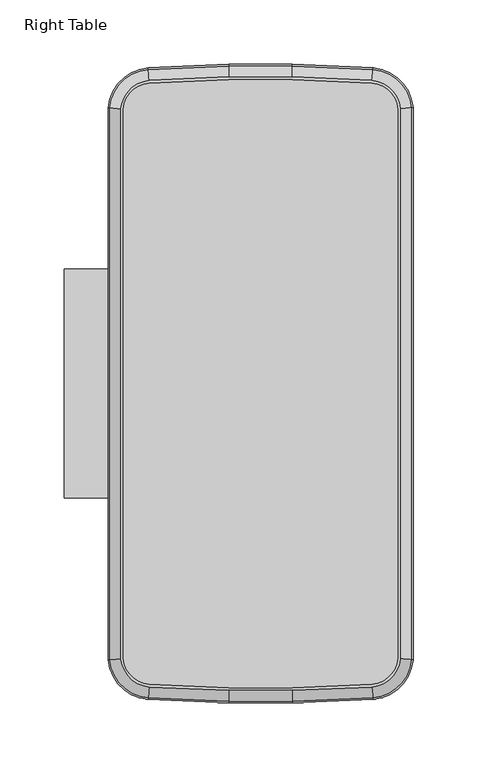
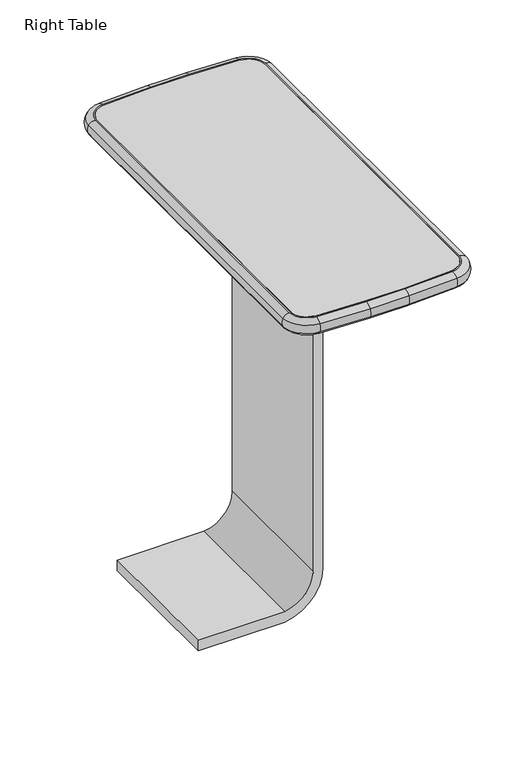
"""IFC4 building model written with IfcOpenShell, lengths in millimetres: furniture geometry, Right Table."""

from ifc_helpers import new_model, si_unit, point, frame, frame_2d, origin, place, context, project, spatial, polyline, circle_curve, ellipse_curve, trimmed, segment, composite_curve, outline, extrude, source, transform, mapped, element, save
from ifc_brep_helpers import plane_surface, cylinder_surface, revolved_surface, advanced_brep


def right_table_0782df6d(model_context):
    return source(origin(), model_context, "Body", "SolidModel", [
        extrude(outline(composite_curve([segment(polyline([(74.8623466, 876.1478532), (513.6429436, 876.1478532), (513.6429436, 863.9227545), (74.8623466, 863.9227545)]), True, "CONTINUOUS"), segment(trimmed(circle_curve(frame_2d((74.8623466, 822.3403129)), 41.5824416), [point((74.8623466, 863.9227545))], [point((33.6371996, 827.7796793))], True, "CARTESIAN"), True, "CONTINUOUS"), segment(polyline([(33.6371996, 827.7796793), (33.6371996, 717.7796793), (19.4900818, 717.7796793), (19.4900818, 827.7796793)]), True, "CONTINUOUS"), segment(trimmed(circle_curve(frame_2d((74.8623466, 820.2684648)), 55.8793884), [point((19.4900818, 827.7796793))], [point((74.8623466, 876.1478532))], False, "CARTESIAN"), True, "CONTINUOUS")], self_intersect=False)), frame((0.0, -714.9000545, 0.0), z_axis=(0.0, 1.0, 0.0), x_axis=(0.0, 0.0, 1.0)), (0.0, 0.0, 1.0), 177.737793),
        extrude(outline(composite_curve([segment(trimmed(circle_curve(frame_2d((845.2003434, -1108.1178896)), 717.7729189), [point((783.6498264, -392.9888824))], [point((845.2003434, -390.3449707))], False, "CARTESIAN"), True, "CONTINUOUS"), segment(polyline([(845.2003434, -390.3449707), (894.4898942, -390.3449707)]), True, "CONTINUOUS"), segment(trimmed(circle_curve(frame_2d((894.4898942, -1108.1178896)), 717.7729189), [point((894.4898942, -390.3449707))], [point((956.0404112, -392.9888824))], False, "CARTESIAN"), True, "CONTINUOUS"), segment(trimmed(circle_curve(frame_2d((954.1217948, -415.2804629)), 22.373995), [point((956.0404112, -392.9888824))], [point((976.3913227, -413.1208847))], False, "CARTESIAN"), True, "CONTINUOUS"), segment(trimmed(circle_curve(frame_2d((-1221.5479594, -626.2651367)), 2208.2498862), [point((976.3913227, -413.1208847))], [point((976.3913227, -839.4093887))], False, "CARTESIAN"), True, "CONTINUOUS"), segment(trimmed(circle_curve(frame_2d((954.1217948, -837.2498105)), 22.373995), [point((976.3913227, -839.4093887))], [point((956.0404112, -859.541391))], False, "CARTESIAN"), True, "CONTINUOUS"), segment(trimmed(circle_curve(frame_2d((894.4898942, -144.4123839)), 717.7729189), [point((956.0404112, -859.541391))], [point((894.4898942, -862.1853027))], False, "CARTESIAN"), True, "CONTINUOUS"), segment(polyline([(894.4898942, -862.1853027), (845.2003434, -862.1853027)]), True, "CONTINUOUS"), segment(trimmed(circle_curve(frame_2d((845.2003434, -144.4123839)), 717.7729189), [point((845.2003434, -862.1853027))], [point((783.6498264, -859.541391))], False, "CARTESIAN"), True, "CONTINUOUS"), segment(trimmed(circle_curve(frame_2d((785.5684429, -837.2498105)), 22.373995), [point((783.6498264, -859.541391))], [point((763.2989149, -839.4093887))], False, "CARTESIAN"), True, "CONTINUOUS"), segment(trimmed(circle_curve(frame_2d((2961.238197, -626.2651367)), 2208.2498862), [point((763.2989149, -839.4093887))], [point((763.2989149, -413.1208847))], False, "CARTESIAN"), True, "CONTINUOUS"), segment(trimmed(circle_curve(frame_2d((785.5684429, -415.2804629)), 22.373995), [point((763.2989149, -413.1208847))], [point((783.6498264, -392.9888824))], False, "CARTESIAN"), True, "CONTINUOUS")], self_intersect=False)), frame((0.0, 0.0, 513.7653809), z_axis=(0.0, 0.0, 1.0), x_axis=(1.0, 0.0, 0.0)), (0.0, 0.0, 1.0), 20.749939),
        advanced_brep(
        [(783.46507, -390.8422776, 534.5153198), (845.2003434, -388.1904297, 534.5153198), (845.2003434, -379.8300563, 530.317738), (782.7481506, -382.5126997, 530.317738), (845.2003434, -379.558977, 519.4613457), (782.724905, -382.2426188, 519.4613457), (845.2003434, -388.1904297, 513.7653809), (783.46507, -390.8422776, 513.7653809), (783.6498264, -392.9888824, 513.7653809), (845.2003434, -390.3449707, 513.7653809), (845.2003434, -390.3449707, 534.5153198), (783.6498264, -392.9888824, 534.5153198), (761.1544337, -412.9129245, 534.5153198), (752.8330961, -412.1059662, 530.317738), (752.5632824, -412.0798012, 519.4613457), (761.1544337, -412.9129245, 513.7653809), (763.2989149, -413.1208847, 513.7653809), (763.2989149, -413.1208847, 534.5153198), (761.1544337, -839.6173489, 534.5153198), (752.8330961, -840.4243072, 530.317738), (752.5632824, -840.4504723, 519.4613457), (761.1544337, -839.6173489, 513.7653809), (763.2989149, -839.4093887, 513.7653809), (763.2989149, -839.4093887, 534.5153198), (783.46507, -861.6879958, 534.5153198), (782.7481506, -870.0175738, 530.317738), (782.724905, -870.2876546, 519.4613457), (783.46507, -861.6879958, 513.7653809), (783.6498264, -859.541391, 513.7653809), (783.6498264, -859.541391, 534.5153198), (845.2003434, -864.3398438, 534.5153198), (845.2003434, -872.7002171, 530.317738), (845.2003434, -872.9712964, 519.4613457), (845.2003434, -864.3398438, 513.7653809), (845.2003434, -862.1853027, 513.7653809), (845.2003434, -862.1853027, 534.5153198), (894.4898942, -872.7002171, 530.317738), (894.4898942, -864.3398438, 534.5153198), (894.4898942, -872.9712964, 519.4613457), (894.4898942, -864.3398438, 513.7653809), (894.4898942, -862.1853027, 534.5153198), (894.4898942, -862.1853027, 513.7653809), (956.2251676, -861.6879958, 534.5153198), (956.942087, -870.0175738, 530.317738), (956.9653326, -870.2876546, 519.4613457), (956.2251676, -861.6879958, 513.7653809), (956.0404112, -859.541391, 513.7653809), (956.0404112, -859.541391, 534.5153198), (978.5358039, -839.6173489, 534.5153198), (986.8571416, -840.4243072, 530.317738), (987.1269552, -840.4504723, 519.4613457), (978.5358039, -839.6173489, 513.7653809), (976.3913227, -839.4093887, 513.7653809), (976.3913227, -839.4093887, 534.5153198), (978.5358039, -412.9129245, 534.5153198), (986.8571416, -412.1059662, 530.317738), (987.1269552, -412.0798012, 519.4613457), (978.5358039, -412.9129245, 513.7653809), (976.3913227, -413.1208847, 513.7653809), (976.3913227, -413.1208847, 534.5153198), (956.2251676, -390.8422776, 534.5153198), (956.942087, -382.5126997, 530.317738), (956.9653326, -382.2426188, 519.4613457), (956.2251676, -390.8422776, 513.7653809), (956.0404112, -392.9888824, 513.7653809), (956.0404112, -392.9888824, 534.5153198), (894.4898942, -388.1904297, 534.5153198), (894.4898942, -379.8300563, 530.317738), (894.4898942, -379.558977, 519.4613457), (894.4898942, -388.1904297, 513.7653809), (894.4898942, -390.3449707, 513.7653809), (894.4898942, -390.3449707, 534.5153198)],
        [
            (0, 1, circle_curve(frame((845.2003434, -1108.1178896, 534.5153198), z_axis=(0.0, 0.0, -1.0), x_axis=(0.0, 1.0, 0.0)), 719.9274599)),
            (1, 2, circle_curve(frame((845.2003434, -388.1904297, 524.0908018), z_axis=(-1.0, 0.0, 0.0), x_axis=(0.0, -1.0, 0.0)), 10.4245181)),
            (2, 3, circle_curve(frame((845.2003434, -1108.1178896, 530.317738), z_axis=(0.0, 0.0, 1.0), x_axis=(0.0, 1.0, 0.0)), 728.2878332)),
            (3, 0, circle_curve(frame((783.46507, -390.8422776, 524.0908018), z_axis=(0.9963165067702815, 0.08575207482658147, 0.0), x_axis=(0.08575207482658147, -0.9963165067702815, 0.0)), 10.4245181)),
            (2, 4, circle_curve(frame((845.2003434, -391.557249, 524.5933346), z_axis=(-1.0, 0.0, 0.0), x_axis=(0.0, -1.0, 0.0)), 13.0497449)),
            (4, 5, circle_curve(frame((845.2003434, -1108.1178896, 519.4613457), z_axis=(0.0, 0.0, 1.0), x_axis=(0.0, 1.0, 0.0)), 728.5589126)),
            (5, 3, circle_curve(frame((783.7537818, -394.1966953, 524.5933346), z_axis=(0.9963165067702815, 0.08575207482658151, 0.0), x_axis=(0.08575207482658151, -0.9963165067702815, 0.0)), 13.0497449)),
            (4, 6, circle_curve(frame((845.2003434, -388.1904297, 523.153254), z_axis=(-1.0, 0.0, 0.0), x_axis=(0.0, -1.0, 0.0)), 9.3878731)),
            (6, 7, circle_curve(frame((845.2003434, -1108.1178896, 513.7653809), z_axis=(0.0, 0.0, 1.0), x_axis=(0.0, 1.0, 0.0)), 719.9274599)),
            (7, 5, circle_curve(frame((783.46507, -390.8422776, 523.153254), z_axis=(0.9963165067702817, 0.08575207482657952, 0.0), x_axis=(0.08575207482657952, -0.9963165067702817, 0.0)), 9.3878731)),
            (8, 9, circle_curve(frame((845.2003434, -1108.1178896, 513.7653809), z_axis=(0.0, 0.0, -1.0), x_axis=(0.0, 1.0, 0.0)), 717.7729189)),
            (9, 10),
            (10, 11, circle_curve(frame((845.2003434, -1108.1178896, 534.5153198), z_axis=(0.0, 0.0, 1.0), x_axis=(0.0, 1.0, 0.0)), 717.7729189)),
            (11, 8),
            (12, 0, circle_curve(frame((785.5684429, -415.2804629, 534.5153198), z_axis=(0.0, 0.0, -1.0), x_axis=(-0.08575207482674928, 0.9963165067702671, 0.0)), 24.528536)),
            (3, 13, circle_curve(frame((785.5684429, -415.2804629, 530.317738), z_axis=(0.0, 0.0, 1.0), x_axis=(-0.08575207482674928, 0.9963165067702671, 0.0)), 32.8889094)),
            (13, 12, circle_curve(frame((761.1544337, -412.9129245, 524.0908018), z_axis=(0.09652179916881932, 0.995330870758671, 0.0), x_axis=(0.995330870758671, -0.09652179916881932, 0.0)), 10.4245181)),
            (5, 14, circle_curve(frame((785.5684429, -415.2804629, 519.4613457), z_axis=(0.0, 0.0, 1.0), x_axis=(-0.08575207482674928, 0.9963165067702671, 0.0)), 33.1599887)),
            (14, 13, circle_curve(frame((764.505533, -413.237896, 524.5933346), z_axis=(0.09652179916881955, 0.995330870758671, 0.0), x_axis=(0.995330870758671, -0.09652179916881955, 0.0)), 13.0497449)),
            (7, 15, circle_curve(frame((785.5684429, -415.2804629, 513.7653809), z_axis=(0.0, 0.0, 1.0), x_axis=(-0.08575207482674928, 0.9963165067702671, 0.0)), 24.528536)),
            (15, 14, circle_curve(frame((761.1544337, -412.9129245, 523.153254), z_axis=(0.09652179916882507, 0.9953308707586704, 0.0), x_axis=(0.9953308707586704, -0.09652179916882507, 0.0)), 9.3878731)),
            (16, 8, circle_curve(frame((785.5684429, -415.2804629, 513.7653809), z_axis=(0.0, 0.0, -1.0), x_axis=(-0.08575207482674928, 0.9963165067702671, 0.0)), 22.373995)),
            (11, 17, circle_curve(frame((785.5684429, -415.2804629, 534.5153198), z_axis=(0.0, 0.0, 1.0), x_axis=(-0.08575207482674928, 0.9963165067702671, 0.0)), 22.373995)),
            (17, 16),
            (18, 12, circle_curve(frame((2961.238197, -626.2651367, 534.5153198), z_axis=(0.0, 0.0, -1.0), x_axis=(-0.9953308707586721, 0.09652179916880771, 0.0)), 2210.4044272)),
            (13, 19, circle_curve(frame((2961.238197, -626.2651367, 530.317738), z_axis=(0.0, 0.0, 1.0), x_axis=(-0.9953308707586721, 0.09652179916880771, 0.0)), 2218.7648005)),
            (19, 18, circle_curve(frame((761.1544337, -839.6173489, 524.0908018), z_axis=(-0.09652179916882847, 0.99533087075867, 0.0), x_axis=(0.99533087075867, 0.09652179916882847, 0.0)), 10.4245181)),
            (14, 20, circle_curve(frame((2961.238197, -626.2651367, 519.4613457), z_axis=(0.0, 0.0, 1.0), x_axis=(-0.9953308707586721, 0.09652179916880771, 0.0)), 2219.0358799)),
            (20, 19, circle_curve(frame((764.505533, -839.2923775, 524.5933346), z_axis=(-0.09652179916882853, 0.99533087075867, 0.0), x_axis=(0.99533087075867, 0.09652179916882853, 0.0)), 13.0497449)),
            (15, 21, circle_curve(frame((2961.238197, -626.2651367, 513.7653809), z_axis=(0.0, 0.0, 1.0), x_axis=(-0.9953308707586721, 0.09652179916880771, 0.0)), 2210.4044272)),
            (21, 20, circle_curve(frame((761.1544337, -839.6173489, 523.153254), z_axis=(-0.09652179916882626, 0.9953308707586702, 0.0), x_axis=(0.9953308707586702, 0.09652179916882626, 0.0)), 9.3878731)),
            (22, 16, circle_curve(frame((2961.238197, -626.2651367, 513.7653809), z_axis=(0.0, 0.0, -1.0), x_axis=(-0.9953308707586721, 0.09652179916880771, 0.0)), 2208.2498862)),
            (17, 23, circle_curve(frame((2961.238197, -626.2651367, 534.5153198), z_axis=(0.0, 0.0, 1.0), x_axis=(-0.9953308707586721, 0.09652179916880771, 0.0)), 2208.2498862)),
            (23, 22),
            (24, 18, circle_curve(frame((785.5684429, -837.2498105, 534.5153198), z_axis=(0.0, 0.0, -1.0), x_axis=(-0.995330870758616, -0.09652179916938605, 0.0)), 24.528536)),
            (19, 25, circle_curve(frame((785.5684429, -837.2498105, 530.317738), z_axis=(0.0, 0.0, 1.0), x_axis=(-0.995330870758616, -0.09652179916938605, 0.0)), 32.8889094)),
            (25, 24, circle_curve(frame((783.46507, -861.6879958, 524.0908018), z_axis=(-0.9963165067702713, 0.08575207482670079, 0.0), x_axis=(0.08575207482670079, 0.9963165067702713, 0.0)), 10.4245181)),
            (20, 26, circle_curve(frame((785.5684429, -837.2498105, 519.4613457), z_axis=(0.0, 0.0, 1.0), x_axis=(-0.995330870758616, -0.09652179916938605, 0.0)), 33.1599887)),
            (26, 25, circle_curve(frame((783.7537818, -858.3335782, 524.5933346), z_axis=(-0.9963165067702714, 0.08575207482670011, 0.0), x_axis=(0.08575207482670011, 0.9963165067702714, 0.0)), 13.0497449)),
            (21, 27, circle_curve(frame((785.5684429, -837.2498105, 513.7653809), z_axis=(0.0, 0.0, 1.0), x_axis=(-0.995330870758616, -0.09652179916938605, 0.0)), 24.528536)),
            (27, 26, circle_curve(frame((783.46507, -861.6879958, 523.153254), z_axis=(-0.9963165067702676, 0.08575207482674345, 0.0), x_axis=(0.08575207482674345, 0.9963165067702676, 0.0)), 9.3878731)),
            (28, 22, circle_curve(frame((785.5684429, -837.2498105, 513.7653809), z_axis=(0.0, 0.0, -1.0), x_axis=(-0.995330870758616, -0.09652179916938605, 0.0)), 22.373995)),
            (23, 29, circle_curve(frame((785.5684429, -837.2498105, 534.5153198), z_axis=(0.0, 0.0, 1.0), x_axis=(-0.995330870758616, -0.09652179916938605, 0.0)), 22.373995)),
            (29, 28),
            (30, 24, circle_curve(frame((845.2003434, -144.4123839, 534.5153198), z_axis=(0.0, 0.0, -1.0), x_axis=(-0.08575207482656692, -0.9963165067702827, 0.0)), 719.9274599)),
            (25, 31, circle_curve(frame((845.2003434, -144.4123839, 530.317738), z_axis=(0.0, 0.0, 1.0), x_axis=(-0.08575207482656692, -0.9963165067702827, 0.0)), 728.2878332)),
            (31, 30, circle_curve(frame((845.2003434, -864.3398438, 524.0908018), z_axis=(-1.0, 0.0, 0.0), x_axis=(0.0, 1.0, 0.0)), 10.4245181)),
            (26, 32, circle_curve(frame((845.2003434, -144.4123839, 519.4613457), z_axis=(0.0, 0.0, 1.0), x_axis=(-0.08575207482656692, -0.9963165067702827, 0.0)), 728.5589126)),
            (32, 31, circle_curve(frame((845.2003434, -860.9730244, 524.5933346), z_axis=(-1.0, 0.0, 0.0), x_axis=(0.0, 1.0, 0.0)), 13.0497449)),
            (27, 33, circle_curve(frame((845.2003434, -144.4123839, 513.7653809), z_axis=(0.0, 0.0, 1.0), x_axis=(-0.08575207482656692, -0.9963165067702827, 0.0)), 719.9274599)),
            (33, 32, circle_curve(frame((845.2003434, -864.3398438, 523.153254), z_axis=(-1.0, 0.0, 0.0), x_axis=(0.0, 1.0, 0.0)), 9.3878731)),
            (34, 28, circle_curve(frame((845.2003434, -144.4123839, 513.7653809), z_axis=(0.0, 0.0, -1.0), x_axis=(-0.08575207482656692, -0.9963165067702827, 0.0)), 717.7729189)),
            (29, 35, circle_curve(frame((845.2003434, -144.4123839, 534.5153198), z_axis=(0.0, 0.0, 1.0), x_axis=(-0.08575207482656692, -0.9963165067702827, 0.0)), 717.7729189)),
            (35, 34),
            (31, 36),
            (36, 37, circle_curve(frame((894.4898942, -864.3398438, 524.0908018), z_axis=(-1.0, 0.0, 0.0), x_axis=(0.0, 1.0, 0.0)), 10.4245181)),
            (37, 30),
            (32, 38),
            (38, 36, circle_curve(frame((894.4898942, -860.9730244, 524.5933346), z_axis=(-1.0, 0.0, 0.0), x_axis=(0.0, 1.0, 0.0)), 13.0497449)),
            (33, 39),
            (39, 38, circle_curve(frame((894.4898942, -864.3398438, 523.153254), z_axis=(-1.0, 0.0, 0.0), x_axis=(0.0, 1.0, 0.0)), 9.3878731)),
            (35, 40),
            (40, 41),
            (41, 34),
            (42, 37, circle_curve(frame((894.4898942, -144.4123839, 534.5153198), z_axis=(0.0, 0.0, -1.0), x_axis=(0.0, -1.0, 0.0)), 719.9274599)),
            (36, 43, circle_curve(frame((894.4898942, -144.4123839, 530.317738), z_axis=(0.0, 0.0, 1.0), x_axis=(0.0, -1.0, 0.0)), 728.2878332)),
            (43, 42, circle_curve(frame((956.2251676, -861.6879958, 524.0908018), z_axis=(-0.9963165067702804, -0.0857520748265943, 0.0), x_axis=(-0.0857520748265943, 0.9963165067702804, 0.0)), 10.4245181)),
            (38, 44, circle_curve(frame((894.4898942, -144.4123839, 519.4613457), z_axis=(0.0, 0.0, 1.0), x_axis=(0.0, -1.0, 0.0)), 728.5589126)),
            (44, 43, circle_curve(frame((955.9364559, -858.3335782, 524.5933346), z_axis=(-0.9963165067702804, -0.08575207482659437, 0.0), x_axis=(-0.08575207482659437, 0.9963165067702804, 0.0)), 13.0497449)),
            (39, 45, circle_curve(frame((894.4898942, -144.4123839, 513.7653809), z_axis=(0.0, 0.0, 1.0), x_axis=(0.0, -1.0, 0.0)), 719.9274599)),
            (45, 44, circle_curve(frame((956.2251676, -861.6879958, 523.153254), z_axis=(-0.9963165067702806, -0.08575207482659233, 0.0), x_axis=(-0.08575207482659233, 0.9963165067702806, 0.0)), 9.3878731)),
            (46, 41, circle_curve(frame((894.4898942, -144.4123839, 513.7653809), z_axis=(0.0, 0.0, -1.0), x_axis=(0.0, -1.0, 0.0)), 717.7729189)),
            (40, 47, circle_curve(frame((894.4898942, -144.4123839, 534.5153198), z_axis=(0.0, 0.0, 1.0), x_axis=(0.0, -1.0, 0.0)), 717.7729189)),
            (47, 46),
            (48, 42, circle_curve(frame((954.1217948, -837.2498105, 534.5153198), z_axis=(0.0, 0.0, -1.0), x_axis=(0.08575207482676551, -0.9963165067702656, 0.0)), 24.528536)),
            (43, 49, circle_curve(frame((954.1217948, -837.2498105, 530.317738), z_axis=(0.0, 0.0, 1.0), x_axis=(0.08575207482676551, -0.9963165067702656, 0.0)), 32.8889094)),
            (49, 48, circle_curve(frame((978.5358039, -839.6173489, 524.0908018), z_axis=(-0.09652179916879998, -0.9953308707586728, 0.0), x_axis=(-0.9953308707586728, 0.09652179916879998, 0.0)), 10.4245181)),
            (44, 50, circle_curve(frame((954.1217948, -837.2498105, 519.4613457), z_axis=(0.0, 0.0, 1.0), x_axis=(0.08575207482676551, -0.9963165067702656, 0.0)), 33.1599887)),
            (50, 49, circle_curve(frame((975.1847047, -839.2923775, 524.5933346), z_axis=(-0.096521799168796, -0.9953308707586732, 0.0), x_axis=(-0.9953308707586732, 0.096521799168796, 0.0)), 13.0497449)),
            (45, 51, circle_curve(frame((954.1217948, -837.2498105, 513.7653809), z_axis=(0.0, 0.0, 1.0), x_axis=(0.08575207482676551, -0.9963165067702656, 0.0)), 24.528536)),
            (51, 50, circle_curve(frame((978.5358039, -839.6173489, 523.153254), z_axis=(-0.09652179916879114, -0.9953308707586737, 0.0), x_axis=(-0.9953308707586737, 0.09652179916879114, 0.0)), 9.3878731)),
            (52, 46, circle_curve(frame((954.1217948, -837.2498105, 513.7653809), z_axis=(0.0, 0.0, -1.0), x_axis=(0.08575207482676551, -0.9963165067702656, 0.0)), 22.373995)),
            (47, 53, circle_curve(frame((954.1217948, -837.2498105, 534.5153198), z_axis=(0.0, 0.0, 1.0), x_axis=(0.08575207482676551, -0.9963165067702656, 0.0)), 22.373995)),
            (53, 52),
            (54, 48, circle_curve(frame((-1221.5479594, -626.2651367, 534.5153198), z_axis=(0.0, 0.0, -1.0), x_axis=(0.9953308707586734, -0.09652179916879323, 0.0)), 2210.4044272)),
            (49, 55, circle_curve(frame((-1221.5479594, -626.2651367, 530.317738), z_axis=(0.0, 0.0, 1.0), x_axis=(0.9953308707586734, -0.09652179916879323, 0.0)), 2218.7648005)),
            (55, 54, circle_curve(frame((978.5358039, -412.9129245, 524.0908018), z_axis=(0.09652179916879837, -0.995330870758673, 0.0), x_axis=(-0.995330870758673, -0.09652179916879837, 0.0)), 10.4245181)),
            (50, 56, circle_curve(frame((-1221.5479594, -626.2651367, 519.4613457), z_axis=(0.0, 0.0, 1.0), x_axis=(0.9953308707586734, -0.09652179916879323, 0.0)), 2219.0358799)),
            (56, 55, circle_curve(frame((975.1847047, -413.237896, 524.5933346), z_axis=(0.09652179916879837, -0.995330870758673, 0.0), x_axis=(-0.995330870758673, -0.09652179916879837, 0.0)), 13.0497449)),
            (51, 57, circle_curve(frame((-1221.5479594, -626.2651367, 513.7653809), z_axis=(0.0, 0.0, 1.0), x_axis=(0.9953308707586734, -0.09652179916879323, 0.0)), 2210.4044272)),
            (57, 56, circle_curve(frame((978.5358039, -412.9129245, 523.153254), z_axis=(0.09652179916880055, -0.9953308707586728, 0.0), x_axis=(-0.9953308707586728, -0.09652179916880055, 0.0)), 9.3878731)),
            (58, 52, circle_curve(frame((-1221.5479594, -626.2651367, 513.7653809), z_axis=(0.0, 0.0, -1.0), x_axis=(0.9953308707586734, -0.09652179916879323, 0.0)), 2208.2498862)),
            (53, 59, circle_curve(frame((-1221.5479594, -626.2651367, 534.5153198), z_axis=(0.0, 0.0, 1.0), x_axis=(0.9953308707586734, -0.09652179916879323, 0.0)), 2208.2498862)),
            (59, 58),
            (60, 54, circle_curve(frame((954.1217948, -415.2804629, 534.5153198), z_axis=(0.0, 0.0, -1.0), x_axis=(0.9953308707587284, 0.09652179916822677, 0.0)), 24.528536)),
            (55, 61, circle_curve(frame((954.1217948, -415.2804629, 530.317738), z_axis=(0.0, 0.0, 1.0), x_axis=(0.9953308707587284, 0.09652179916822677, 0.0)), 32.8889094)),
            (61, 60, circle_curve(frame((956.2251676, -390.8422776, 524.0908018), z_axis=(0.9963165067702684, -0.08575207482673312, 0.0), x_axis=(-0.08575207482673312, -0.9963165067702684, 0.0)), 10.4245181)),
            (56, 62, circle_curve(frame((954.1217948, -415.2804629, 519.4613457), z_axis=(0.0, 0.0, 1.0), x_axis=(0.9953308707587284, 0.09652179916822677, 0.0)), 33.1599887)),
            (62, 61, circle_curve(frame((955.9364559, -394.1966953, 524.5933346), z_axis=(0.9963165067702685, -0.08575207482673201, 0.0), x_axis=(-0.08575207482673201, -0.9963165067702685, 0.0)), 13.0497449)),
            (57, 63, circle_curve(frame((954.1217948, -415.2804629, 513.7653809), z_axis=(0.0, 0.0, 1.0), x_axis=(0.9953308707587284, 0.09652179916822677, 0.0)), 24.528536)),
            (63, 62, circle_curve(frame((956.2251676, -390.8422776, 523.153254), z_axis=(0.9963165067702641, -0.08575207482678356, 0.0), x_axis=(-0.08575207482678356, -0.9963165067702641, 0.0)), 9.3878731)),
            (64, 58, circle_curve(frame((954.1217948, -415.2804629, 513.7653809), z_axis=(0.0, 0.0, -1.0), x_axis=(0.9953308707587284, 0.09652179916822677, 0.0)), 22.373995)),
            (59, 65, circle_curve(frame((954.1217948, -415.2804629, 534.5153198), z_axis=(0.0, 0.0, 1.0), x_axis=(0.9953308707587284, 0.09652179916822677, 0.0)), 22.373995)),
            (65, 64),
            (66, 60, circle_curve(frame((894.4898942, -1108.1178896, 534.5153198), z_axis=(0.0, 0.0, -1.0), x_axis=(0.08575207482658051, 0.9963165067702816, 0.0)), 719.9274599)),
            (61, 67, circle_curve(frame((894.4898942, -1108.1178896, 530.317738), z_axis=(0.0, 0.0, 1.0), x_axis=(0.08575207482658051, 0.9963165067702816, 0.0)), 728.2878332)),
            (67, 66, circle_curve(frame((894.4898942, -388.1904297, 524.0908018), z_axis=(1.0, 0.0, 0.0), x_axis=(0.0, -1.0, 0.0)), 10.4245181)),
            (62, 68, circle_curve(frame((894.4898942, -1108.1178896, 519.4613457), z_axis=(0.0, 0.0, 1.0), x_axis=(0.08575207482658051, 0.9963165067702816, 0.0)), 728.5589126)),
            (68, 67, circle_curve(frame((894.4898942, -391.557249, 524.5933346), z_axis=(1.0, 0.0, 0.0), x_axis=(0.0, -1.0, 0.0)), 13.0497449)),
            (63, 69, circle_curve(frame((894.4898942, -1108.1178896, 513.7653809), z_axis=(0.0, 0.0, 1.0), x_axis=(0.08575207482658051, 0.9963165067702816, 0.0)), 719.9274599)),
            (69, 68, circle_curve(frame((894.4898942, -388.1904297, 523.153254), z_axis=(1.0, 0.0, 0.0), x_axis=(0.0, -1.0, 0.0)), 9.3878731)),
            (70, 64, circle_curve(frame((894.4898942, -1108.1178896, 513.7653809), z_axis=(0.0, 0.0, -1.0), x_axis=(0.08575207482658051, 0.9963165067702816, 0.0)), 717.7729189)),
            (65, 71, circle_curve(frame((894.4898942, -1108.1178896, 534.5153198), z_axis=(0.0, 0.0, 1.0), x_axis=(0.08575207482658051, 0.9963165067702816, 0.0)), 717.7729189)),
            (71, 70),
            (67, 2),
            (1, 66),
            (68, 4),
            (69, 6),
            (70, 9),
            (71, 10),
        ],
        [
            revolved_surface(trimmed(ellipse_curve(frame((845.2003434, -388.1904297, 524.0908018), z_axis=(1.0, 0.0, 0.0), x_axis=(0.0, -1.0, 0.0)), 10.4245181, 10.4245181), [point((845.2003434, -379.8300563, 530.317738))], [point((845.2003434, -388.1904297, 534.5153198))], True, "CARTESIAN"), (845.2003434, -1108.1178896, 0.0), (0.0, 0.0, 1.0)),
            revolved_surface(trimmed(ellipse_curve(frame((845.2003434, -391.557249, 524.5933346), z_axis=(1.0, 0.0, 0.0), x_axis=(0.0, -1.0, 0.0)), 13.0497449, 13.0497449), [point((845.2003434, -379.558977, 519.4613457))], [point((845.2003434, -379.8300563, 530.317738))], True, "CARTESIAN"), (845.2003434, -1108.1178896, 0.0), (0.0, 0.0, 1.0)),
            revolved_surface(trimmed(ellipse_curve(frame((845.2003434, -388.1904297, 523.153254), z_axis=(1.0, 0.0, 0.0), x_axis=(0.0, -1.0, 0.0)), 9.3878731, 9.3878731), [point((845.2003434, -388.1904297, 513.7653809))], [point((845.2003434, -379.558977, 519.4613457))], True, "CARTESIAN"), (845.2003434, -1108.1178896, 0.0), (0.0, 0.0, 1.0)),
            revolved_surface(polyline([(845.2003434, -390.34497069999986, 534.5153198), (845.2003434, -390.34497069999986, 513.7653809)]), (845.2003434, -1108.1178896, 0.0), (0.0, 0.0, 1.0)),
            revolved_surface(trimmed(ellipse_curve(frame((783.46507, -390.8422776, 524.0908018), z_axis=(0.9963165067702671, 0.08575207482674929, 0.0), x_axis=(0.08575207482674929, -0.9963165067702671, 0.0)), 10.4245181, 10.4245181), [point((782.7481506, -382.5126997, 530.317738))], [point((783.46507, -390.8422776, 534.5153198))], True, "CARTESIAN"), (785.5684429, -415.2804629, 0.0), (0.0, 0.0, 1.0)),
            revolved_surface(trimmed(ellipse_curve(frame((783.7537818, -394.1966953, 524.5933346), z_axis=(0.9963165067702671, 0.08575207482674929, 0.0), x_axis=(0.08575207482674929, -0.9963165067702671, 0.0)), 13.0497449, 13.0497449), [point((782.724905, -382.2426188, 519.4613457))], [point((782.7481506, -382.5126997, 530.317738))], True, "CARTESIAN"), (785.5684429, -415.2804629, 0.0), (0.0, 0.0, 1.0)),
            revolved_surface(trimmed(ellipse_curve(frame((783.46507, -390.8422776, 523.153254), z_axis=(0.9963165067702671, 0.08575207482674929, 0.0), x_axis=(0.08575207482674929, -0.9963165067702671, 0.0)), 9.3878731, 9.3878731), [point((783.46507, -390.8422776, 513.7653809))], [point((782.724905, -382.2426188, 519.4613457))], True, "CARTESIAN"), (785.5684429, -415.2804629, 0.0), (0.0, 0.0, 1.0)),
            revolved_surface(polyline([(783.6498264065867, -392.98888235910454, 534.5153198), (783.6498264065867, -392.98888235910454, 513.7653809)]), (785.5684429, -415.2804629, 0.0), (0.0, 0.0, 1.0)),
            revolved_surface(trimmed(ellipse_curve(frame((761.1544337, -412.9129245, 524.0908018), z_axis=(0.0965217991688077, 0.9953308707586721, 0.0), x_axis=(0.9953308707586721, -0.0965217991688077, 0.0)), 10.4245181, 10.4245181), [point((752.8330961, -412.1059662, 530.317738))], [point((761.1544337, -412.9129245, 534.5153198))], True, "CARTESIAN"), (2961.238197, -626.2651367, 0.0), (0.0, 0.0, 1.0)),
            revolved_surface(trimmed(ellipse_curve(frame((764.505533, -413.237896, 524.5933346), z_axis=(0.0965217991688077, 0.9953308707586721, 0.0), x_axis=(0.9953308707586721, -0.0965217991688077, 0.0)), 13.0497449, 13.0497449), [point((752.5632824, -412.0798012, 519.4613457))], [point((752.8330961, -412.1059662, 530.317738))], True, "CARTESIAN"), (2961.238197, -626.2651367, 0.0), (0.0, 0.0, 1.0)),
            revolved_surface(trimmed(ellipse_curve(frame((761.1544337, -412.9129245, 523.153254), z_axis=(0.0965217991688077, 0.9953308707586721, 0.0), x_axis=(0.9953308707586721, -0.0965217991688077, 0.0)), 9.3878731, 9.3878731), [point((761.1544337, -412.9129245, 513.7653809))], [point((752.5632824, -412.0798012, 519.4613457))], True, "CARTESIAN"), (2961.238197, -626.2651367, 0.0), (0.0, 0.0, 1.0)),
            revolved_surface(polyline([(763.2989149158152, -413.1208846696611, 534.5153198), (763.2989149158152, -413.1208846696611, 513.7653809)]), (2961.238197, -626.2651367, 0.0), (0.0, 0.0, 1.0)),
            revolved_surface(trimmed(ellipse_curve(frame((761.1544337, -839.6173489, 524.0908018), z_axis=(-0.09652179916938604, 0.995330870758616, 0.0), x_axis=(0.995330870758616, 0.09652179916938604, 0.0)), 10.4245181, 10.4245181), [point((752.8330961, -840.4243072, 530.317738))], [point((761.1544337, -839.6173489, 534.5153198))], True, "CARTESIAN"), (785.5684429, -837.2498105, 0.0), (0.0, 0.0, 1.0)),
            revolved_surface(trimmed(ellipse_curve(frame((764.505533, -839.2923775, 524.5933346), z_axis=(-0.09652179916938604, 0.995330870758616, 0.0), x_axis=(0.995330870758616, 0.09652179916938604, 0.0)), 13.0497449, 13.0497449), [point((752.5632824, -840.4504723, 519.4613457))], [point((752.8330961, -840.4243072, 530.317738))], True, "CARTESIAN"), (785.5684429, -837.2498105, 0.0), (0.0, 0.0, 1.0)),
            revolved_surface(trimmed(ellipse_curve(frame((761.1544337, -839.6173489, 523.153254), z_axis=(-0.09652179916938604, 0.995330870758616, 0.0), x_axis=(0.995330870758616, 0.09652179916938604, 0.0)), 9.3878731, 9.3878731), [point((761.1544337, -839.6173489, 513.7653809))], [point((752.5632824, -840.4504723, 519.4613457))], True, "CARTESIAN"), (785.5684429, -837.2498105, 0.0), (0.0, 0.0, 1.0)),
            revolved_surface(polyline([(763.2989149743012, -839.4093887520069, 534.5153198), (763.2989149743012, -839.4093887520069, 513.7653809)]), (785.5684429, -837.2498105, 0.0), (0.0, 0.0, 1.0)),
            revolved_surface(trimmed(ellipse_curve(frame((783.46507, -861.6879958, 524.0908018), z_axis=(-0.9963165067702827, 0.08575207482656692, 0.0), x_axis=(0.08575207482656692, 0.9963165067702827, 0.0)), 10.4245181, 10.4245181), [point((782.7481506, -870.0175738, 530.317738))], [point((783.46507, -861.6879958, 534.5153198))], True, "CARTESIAN"), (845.2003434, -144.4123839, 0.0), (0.0, 0.0, 1.0)),
            revolved_surface(trimmed(ellipse_curve(frame((783.7537818, -858.3335782, 524.5933346), z_axis=(-0.9963165067702827, 0.08575207482656692, 0.0), x_axis=(0.08575207482656692, 0.9963165067702827, 0.0)), 13.0497449, 13.0497449), [point((782.724905, -870.2876546, 519.4613457))], [point((782.7481506, -870.0175738, 530.317738))], True, "CARTESIAN"), (845.2003434, -144.4123839, 0.0), (0.0, 0.0, 1.0)),
            revolved_surface(trimmed(ellipse_curve(frame((783.46507, -861.6879958, 523.153254), z_axis=(-0.9963165067702827, 0.08575207482656692, 0.0), x_axis=(0.08575207482656692, 0.9963165067702827, 0.0)), 9.3878731, 9.3878731), [point((783.46507, -861.6879958, 513.7653809))], [point((782.724905, -870.2876546, 519.4613457))], True, "CARTESIAN"), (845.2003434, -144.4123839, 0.0), (0.0, 0.0, 1.0)),
            revolved_surface(polyline([(783.6498263500038, -859.5413911127575, 534.5153198), (783.6498263500038, -859.5413911127575, 513.7653809)]), (845.2003434, -144.4123839, 0.0), (0.0, 0.0, 1.0)),
            cylinder_surface(frame((845.2003434, -864.3398438, 524.0908018), z_axis=(-1.0, 0.0, 0.0), x_axis=(0.0, 1.0, 0.0)), 10.4245181),
            cylinder_surface(frame((845.2003434, -860.9730244, 524.5933346), z_axis=(-1.0, 0.0, 0.0), x_axis=(0.0, 1.0, 0.0)), 13.0497449),
            cylinder_surface(frame((845.2003434, -864.3398438, 523.153254), z_axis=(-1.0, 0.0, 0.0), x_axis=(0.0, 1.0, 0.0)), 9.3878731),
            plane_surface(frame((845.2003434, -862.1853027, 534.5153198), z_axis=(0.0, 1.0, 0.0), x_axis=(1.0, 0.0, 0.0))),
            revolved_surface(trimmed(ellipse_curve(frame((894.4898942, -864.3398438, 524.0908018), z_axis=(-1.0, 0.0, 0.0), x_axis=(0.0, 1.0, 0.0)), 10.4245181, 10.4245181), [point((894.4898942, -872.7002171, 530.317738))], [point((894.4898942, -864.3398438, 534.5153198))], True, "CARTESIAN"), (894.4898942, -144.4123839, 0.0), (0.0, 0.0, 1.0)),
            revolved_surface(trimmed(ellipse_curve(frame((894.4898942, -860.9730244, 524.5933346), z_axis=(-1.0, 0.0, 0.0), x_axis=(0.0, 1.0, 0.0)), 13.0497449, 13.0497449), [point((894.4898942, -872.9712964, 519.4613457))], [point((894.4898942, -872.7002171, 530.317738))], True, "CARTESIAN"), (894.4898942, -144.4123839, 0.0), (0.0, 0.0, 1.0)),
            revolved_surface(trimmed(ellipse_curve(frame((894.4898942, -864.3398438, 523.153254), z_axis=(-1.0, 0.0, 0.0), x_axis=(0.0, 1.0, 0.0)), 9.3878731, 9.3878731), [point((894.4898942, -864.3398438, 513.7653809))], [point((894.4898942, -872.9712964, 519.4613457))], True, "CARTESIAN"), (894.4898942, -144.4123839, 0.0), (0.0, 0.0, 1.0)),
            revolved_surface(polyline([(894.4898942, -862.1853028, 534.5153198), (894.4898942, -862.1853028, 513.7653809)]), (894.4898942, -144.4123839, 0.0), (0.0, 0.0, 1.0)),
            revolved_surface(trimmed(ellipse_curve(frame((956.2251676, -861.6879958, 524.0908018), z_axis=(-0.9963165067702656, -0.08575207482676554, 0.0), x_axis=(-0.08575207482676554, 0.9963165067702656, 0.0)), 10.4245181, 10.4245181), [point((956.942087, -870.0175738, 530.317738))], [point((956.2251676, -861.6879958, 534.5153198))], True, "CARTESIAN"), (954.1217948, -837.2498105, 0.0), (0.0, 0.0, 1.0)),
            revolved_surface(trimmed(ellipse_curve(frame((955.9364559, -858.3335782, 524.5933346), z_axis=(-0.9963165067702656, -0.08575207482676554, 0.0), x_axis=(-0.08575207482676554, 0.9963165067702656, 0.0)), 13.0497449, 13.0497449), [point((956.9653326, -870.2876546, 519.4613457))], [point((956.942087, -870.0175738, 530.317738))], True, "CARTESIAN"), (954.1217948, -837.2498105, 0.0), (0.0, 0.0, 1.0)),
            revolved_surface(trimmed(ellipse_curve(frame((956.2251676, -861.6879958, 523.153254), z_axis=(-0.9963165067702656, -0.08575207482676554, 0.0), x_axis=(-0.08575207482676554, 0.9963165067702656, 0.0)), 9.3878731, 9.3878731), [point((956.2251676, -861.6879958, 513.7653809))], [point((956.9653326, -870.2876546, 519.4613457))], True, "CARTESIAN"), (954.1217948, -837.2498105, 0.0), (0.0, 0.0, 1.0)),
            revolved_surface(polyline([(956.0404112934136, -859.5413910408954, 534.5153198), (956.0404112934136, -859.5413910408954, 513.7653809)]), (954.1217948, -837.2498105, 0.0), (0.0, 0.0, 1.0)),
            revolved_surface(trimmed(ellipse_curve(frame((978.5358039, -839.6173489, 524.0908018), z_axis=(-0.09652179916879322, -0.9953308707586734, 0.0), x_axis=(-0.9953308707586734, 0.09652179916879322, 0.0)), 10.4245181, 10.4245181), [point((986.8571416, -840.4243072, 530.317738))], [point((978.5358039, -839.6173489, 534.5153198))], True, "CARTESIAN"), (-1221.5479594, -626.2651367, 0.0), (0.0, 0.0, 1.0)),
            revolved_surface(trimmed(ellipse_curve(frame((975.1847047, -839.2923775, 524.5933346), z_axis=(-0.09652179916879322, -0.9953308707586734, 0.0), x_axis=(-0.9953308707586734, 0.09652179916879322, 0.0)), 13.0497449, 13.0497449), [point((987.1269552, -840.4504723, 519.4613457))], [point((986.8571416, -840.4243072, 530.317738))], True, "CARTESIAN"), (-1221.5479594, -626.2651367, 0.0), (0.0, 0.0, 1.0)),
            revolved_surface(trimmed(ellipse_curve(frame((978.5358039, -839.6173489, 523.153254), z_axis=(-0.09652179916879322, -0.9953308707586734, 0.0), x_axis=(-0.9953308707586734, 0.09652179916879322, 0.0)), 9.3878731, 9.3878731), [point((978.5358039, -839.6173489, 513.7653809))], [point((987.1269552, -840.4504723, 519.4613457))], True, "CARTESIAN"), (-1221.5479594, -626.2651367, 0.0), (0.0, 0.0, 1.0)),
            revolved_surface(polyline([(976.3913226841876, -839.4093887303069, 534.5153198), (976.3913226841876, -839.4093887303069, 513.7653809)]), (-1221.5479594, -626.2651367, 0.0), (0.0, 0.0, 1.0)),
            revolved_surface(trimmed(ellipse_curve(frame((978.5358039, -412.9129245, 524.0908018), z_axis=(0.0965217991682268, -0.9953308707587284, 0.0), x_axis=(-0.9953308707587284, -0.0965217991682268, 0.0)), 10.4245181, 10.4245181), [point((986.8571416, -412.1059662, 530.317738))], [point((978.5358039, -412.9129245, 534.5153198))], True, "CARTESIAN"), (954.1217948, -415.2804629, 0.0), (0.0, 0.0, 1.0)),
            revolved_surface(trimmed(ellipse_curve(frame((975.1847047, -413.237896, 524.5933346), z_axis=(0.0965217991682268, -0.9953308707587284, 0.0), x_axis=(-0.9953308707587284, -0.0965217991682268, 0.0)), 13.0497449, 13.0497449), [point((987.1269552, -412.0798012, 519.4613457))], [point((986.8571416, -412.1059662, 530.317738))], True, "CARTESIAN"), (954.1217948, -415.2804629, 0.0), (0.0, 0.0, 1.0)),
            revolved_surface(trimmed(ellipse_curve(frame((978.5358039, -412.9129245, 523.153254), z_axis=(0.0965217991682268, -0.9953308707587284, 0.0), x_axis=(-0.9953308707587284, -0.0965217991682268, 0.0)), 9.3878731, 9.3878731), [point((978.5358039, -412.9129245, 513.7653809))], [point((987.1269552, -412.0798012, 519.4613457))], True, "CARTESIAN"), (954.1217948, -415.2804629, 0.0), (0.0, 0.0, 1.0)),
            revolved_surface(polyline([(976.3913227257015, -413.12088464801906, 534.5153198), (976.3913227257015, -413.12088464801906, 513.7653809)]), (954.1217948, -415.2804629, 0.0), (0.0, 0.0, 1.0)),
            revolved_surface(trimmed(ellipse_curve(frame((956.2251676, -390.8422776, 524.0908018), z_axis=(0.9963165067702816, -0.08575207482658045, 0.0), x_axis=(-0.08575207482658045, -0.9963165067702816, 0.0)), 10.4245181, 10.4245181), [point((956.942087, -382.5126997, 530.317738))], [point((956.2251676, -390.8422776, 534.5153198))], True, "CARTESIAN"), (894.4898942, -1108.1178896, 0.0), (0.0, 0.0, 1.0)),
            revolved_surface(trimmed(ellipse_curve(frame((955.9364559, -394.1966953, 524.5933346), z_axis=(0.9963165067702816, -0.08575207482658045, 0.0), x_axis=(-0.08575207482658045, -0.9963165067702816, 0.0)), 13.0497449, 13.0497449), [point((956.9653326, -382.2426188, 519.4613457))], [point((956.942087, -382.5126997, 530.317738))], True, "CARTESIAN"), (894.4898942, -1108.1178896, 0.0), (0.0, 0.0, 1.0)),
            revolved_surface(trimmed(ellipse_curve(frame((956.2251676, -390.8422776, 523.153254), z_axis=(0.9963165067702816, -0.08575207482658045, 0.0), x_axis=(-0.08575207482658045, -0.9963165067702816, 0.0)), 9.3878731, 9.3878731), [point((956.2251676, -390.8422776, 513.7653809))], [point((956.9653326, -382.2426188, 519.4613457))], True, "CARTESIAN"), (894.4898942, -1108.1178896, 0.0), (0.0, 0.0, 1.0)),
            revolved_surface(polyline([(956.040411250006, -392.98888238724317, 534.5153198), (956.040411250006, -392.98888238724317, 513.7653809)]), (894.4898942, -1108.1178896, 0.0), (0.0, 0.0, 1.0)),
            cylinder_surface(frame((894.4898942, -388.1904297, 524.0908018), z_axis=(1.0, 0.0, 0.0), x_axis=(0.0, -1.0, 0.0)), 10.4245181),
            cylinder_surface(frame((894.4898942, -391.557249, 524.5933346), z_axis=(1.0, 0.0, 0.0), x_axis=(0.0, -1.0, 0.0)), 13.0497449),
            cylinder_surface(frame((894.4898942, -388.1904297, 523.153254), z_axis=(1.0, 0.0, 0.0), x_axis=(0.0, -1.0, 0.0)), 9.3878731),
            plane_surface(frame((894.4898942, -390.3449707, 513.7653809), z_axis=(0.0, 0.0, -1.0), x_axis=(-1.0, 0.0, 0.0))),
            plane_surface(frame((894.4898942, -390.3449707, 534.5153198), z_axis=(0.0, -1.0, 0.0), x_axis=(-1.0, 0.0, 0.0))),
            plane_surface(frame((894.4898942, -388.1904297, 534.5153198), z_axis=(0.0, 0.0, 1.0), x_axis=(-1.0, 0.0, 0.0))),
        ],
        [
            (0, [[1, 2, 3, 4]]),
            (1, [[-3, 5, 6, 7]]),
            (2, [[-6, 8, 9, 10]]),
            (3, [[11, 12, 13, 14]]),
            (4, [[15, -4, 16, 17]]),
            (5, [[-16, -7, 18, 19]]),
            (6, [[-18, -10, 20, 21]]),
            (7, [[22, -14, 23, 24]]),
            (8, [[25, -17, 26, 27]]),
            (9, [[-26, -19, 28, 29]]),
            (10, [[-28, -21, 30, 31]]),
            (11, [[32, -24, 33, 34]]),
            (12, [[35, -27, 36, 37]]),
            (13, [[-36, -29, 38, 39]]),
            (14, [[-38, -31, 40, 41]]),
            (15, [[42, -34, 43, 44]]),
            (16, [[45, -37, 46, 47]]),
            (17, [[-46, -39, 48, 49]]),
            (18, [[-48, -41, 50, 51]]),
            (19, [[52, -44, 53, 54]]),
            (20, [[-47, 55, 56, 57]]),
            (21, [[-49, 58, 59, -55]]),
            (22, [[-51, 60, 61, -58]]),
            (23, [[-54, 62, 63, 64]]),
            (24, [[65, -56, 66, 67]]),
            (25, [[-66, -59, 68, 69]]),
            (26, [[-68, -61, 70, 71]]),
            (27, [[72, -63, 73, 74]]),
            (28, [[75, -67, 76, 77]]),
            (29, [[-76, -69, 78, 79]]),
            (30, [[-78, -71, 80, 81]]),
            (31, [[82, -74, 83, 84]]),
            (32, [[85, -77, 86, 87]]),
            (33, [[-86, -79, 88, 89]]),
            (34, [[-88, -81, 90, 91]]),
            (35, [[92, -84, 93, 94]]),
            (36, [[95, -87, 96, 97]]),
            (37, [[-96, -89, 98, 99]]),
            (38, [[-98, -91, 100, 101]]),
            (39, [[102, -94, 103, 104]]),
            (40, [[105, -97, 106, 107]]),
            (41, [[-106, -99, 108, 109]]),
            (42, [[-108, -101, 110, 111]]),
            (43, [[112, -104, 113, 114]]),
            (44, [[-107, 115, -2, 116]]),
            (45, [[-109, 117, -5, -115]]),
            (46, [[-111, 118, -8, -117]]),
            (47, [[-118, -110, -100, -90, -80, -70, -60, -50, -40, -30, -20, -9], [-102, -112, 119, -11, -22, -32, -42, -52, -64, -72, -82, -92]]),
            (48, [[-114, 120, -12, -119]]),
            (49, [[-95, -105, -116, -1, -15, -25, -35, -45, -57, -65, -75, -85], [-120, -113, -103, -93, -83, -73, -62, -53, -43, -33, -23, -13]]),
        ],
    ),
    ])


if __name__ == "__main__":
    model = new_model("IFC4")
    model_context = context("Model", 3, world=origin())
    ifc_project = project(units=[si_unit("LENGTHUNIT", "METRE", prefix="MILLI")], contexts=[model_context])
    site = spatial("IfcSite", under=ifc_project)
    building = spatial("IfcBuilding", under=site)
    placement = place(None, origin())
    right_table_shape = right_table_0782df6d(model_context)
    element("IfcFurniture", 1, ObjectType="Right Table", at=placement, inside=building, context=model_context, shape_type="MappedRepresentation", body=[
        mapped(right_table_shape, transform((0.0, 0.0, 0.0), x_axis=(1.0, 0.0, 0.0), y_axis=(0.0, 1.0, 0.0), z_axis=(0.0, 0.0, 1.0))),
    ])
    save(model, "model.ifc")
